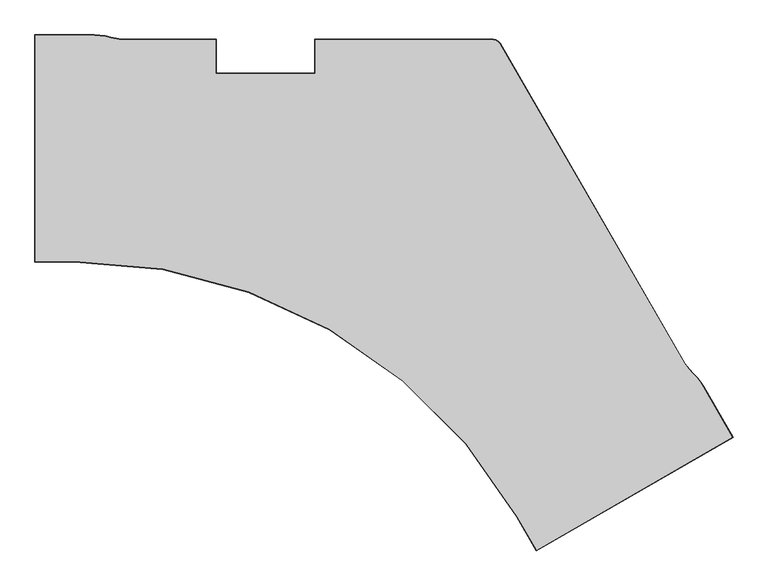
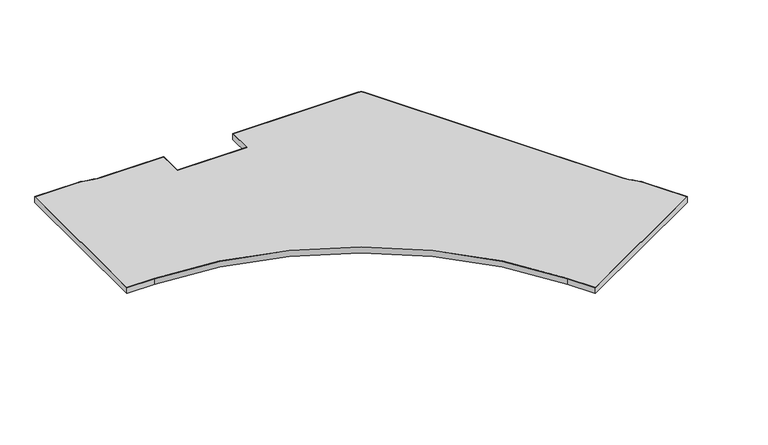
"""IFC4 building model written with IfcOpenShell, lengths in millimetres: furniture geometry."""

from ifc_helpers import new_model, si_unit, point, frame, frame_2d, origin, place, context, project, spatial, polyline, circle_curve, trimmed, segment, composite_curve, outline, extrude, source, transform, mapped, element, save
from ifc_brep_helpers import plane_surface, cylinder_surface, revolved_surface, advanced_brep


def furniture_2d47c8f3(model_context):
    return source(origin(), model_context, "Body", "SolidModel", [
        advanced_brep(
        [(128.6002, -757.2248121, 723.9), (128.6002, -757.2248121, 695.325), (1.6002, -757.2248121, 695.325), (1.6002, -757.2248121, 723.9), (128.6008793, -758.8250121, 695.325), (128.6008793, -758.8250121, 723.9), (0.0, -758.8250121, 723.9), (0.0, -758.8250121, 695.325), (1.6002, -16.5862005, 695.325), (1.6002, -16.5862005, 723.9), (0.0, -14.9860005, 723.9), (0.0, -14.9860005, 695.325), (193.6379206, -16.5862005, 695.325), (193.6379206, -16.5862005, 723.9), (193.6379206, -14.9860005, 723.9), (193.6379206, -14.9860005, 695.325), (212.0372781, -17.4394882, 695.325), (212.0372781, -17.4394882, 723.9), (212.1114093, -15.8410063, 723.9), (212.1114093, -15.8410063, 695.325), (230.2419301, -19.986884, 695.325), (230.2419301, -19.986884, 723.9), (230.4636872, -18.4021241, 723.9), (230.4636872, -18.4021241, 695.325), (248.2091149, -24.2262729, 695.325), (248.2091149, -24.2262729, 723.9), (248.5765941, -22.6688394, 723.9), (248.5765941, -22.6688394, 695.325), (265.9206384, -28.3043297, 695.325), (265.9206384, -28.3043297, 723.9), (266.2796879, -26.7449313, 723.9), (266.2796879, -26.7449313, 695.325), (283.9958289, -30.7738221, 695.325), (283.9958289, -30.7738221, 723.9), (284.2124412, -29.1883509, 723.9), (284.2124412, -29.1883509, 695.325), (302.1840143, -31.5975991, 695.325), (302.1840143, -31.5975991, 723.9), (302.2564161, -29.9990379, 723.9), (302.2564161, -29.9990379, 695.325), (591.7774393, -31.5975991, 695.325), (591.7774393, -31.5975991, 723.9), (593.3776393, -29.9973991, 723.9), (593.3776393, -29.9973991, 695.325), (591.7774393, -142.4431971, 695.325), (591.7774393, -142.4431971, 723.9), (593.3776393, -140.8429971, 723.9), (593.3776393, -140.8429971, 695.325), (918.2690156, -142.4431971, 695.325), (918.2690156, -142.4431971, 723.9), (916.6688156, -140.8429971, 723.9), (916.6688156, -140.8429971, 695.325), (918.2690156, -31.5975991, 695.325), (918.2690156, -31.5975991, 723.9), (916.6688156, -29.9973991, 723.9), (916.6688156, -29.9973991, 695.325), (1501.239652, -31.5975991, 695.325), (1501.239652, -31.5975991, 723.9), (1501.3796511, -29.9973991, 723.9), (1501.3796511, -29.9973991, 695.325), (1509.5112413, -33.0561007, 695.325), (1509.5112413, -33.0561007, 723.9), (1510.0669842, -31.5292074, 723.9), (1510.0669842, -31.5292074, 695.325), (1516.6620317, -37.1846055, 695.325), (1516.6620317, -37.1846055, 723.9), (1517.7064888, -35.9398711, 723.9), (1517.7064888, -35.9398711, 695.325), (1522.0609277, -43.6187795, 695.325), (1522.0609277, -43.6187795, 723.9), (1523.3767425, -42.6974376, 723.9), (1523.3767425, -42.6974376, 695.325), (2127.6678544, -1092.560746, 695.325), (2127.6678544, -1092.560746, 723.9), (2128.9992657, -1091.666418, 723.9), (2128.9992657, -1091.666418, 695.325), (2142.5724857, -1111.7897835, 695.325), (2142.5724857, -1111.7897835, 723.9), (2143.8372401, -1110.8094589, 723.9), (2143.8372401, -1110.8094589, 695.325), (2154.9599805, -1125.089362, 695.325), (2154.9599805, -1125.089362, 723.9), (2156.130932, -1123.9987142, 723.9), (2156.130932, -1123.9987142, 695.325), (2167.6149322, -1138.529737, 695.325), (2167.6149322, -1138.529737, 723.9), (2168.7799734, -1137.432778, 723.9), (2168.7799734, -1137.432778, 695.325), (2178.9233657, -1153.0217177, 695.325), (2178.9233657, -1153.0217177, 723.9), (2180.1849291, -1152.0372901, 723.9), (2180.1849291, -1152.0372901, 695.325), (2188.862406, -1168.5300591, 695.325), (2188.862406, -1168.5300591, 723.9), (2190.209668, -1167.6666211, 723.9), (2190.209668, -1167.6666211, 695.325), (2284.525275, -1334.2230085, 695.325), (2284.525275, -1334.2230085, 723.9), (2286.7111888, -1334.8087223, 723.9), (2286.7111888, -1334.8087223, 695.325), (1643.1134639, -1704.5422903, 695.325), (1643.1134639, -1704.5422903, 723.9), (1642.52775, -1706.7282041, 723.9), (1642.52775, -1706.7282041, 695.325), (1579.6135016, -1594.5571294, 695.325), (1579.6135016, -1594.5571294, 723.9), (1578.2276878, -1595.3572294, 723.9), (1578.2276878, -1595.3572294, 695.325)],
        [
            (0, 1),
            (1, 2),
            (2, 3),
            (3, 0),
            (4, 5),
            (5, 6),
            (6, 7),
            (7, 4),
            (2, 8),
            (8, 9),
            (9, 3),
            (6, 10),
            (10, 11),
            (11, 7),
            (8, 12),
            (12, 13),
            (13, 9),
            (10, 14),
            (14, 15),
            (15, 11),
            (12, 16),
            (16, 17),
            (17, 13),
            (14, 18),
            (18, 19),
            (19, 15),
            (16, 20),
            (20, 21),
            (21, 17),
            (18, 22),
            (22, 23),
            (23, 19),
            (20, 24),
            (24, 25),
            (25, 21),
            (22, 26),
            (26, 27),
            (27, 23),
            (24, 28),
            (28, 29),
            (29, 25),
            (26, 30),
            (30, 31),
            (31, 27),
            (28, 32),
            (32, 33),
            (33, 29),
            (30, 34),
            (34, 35),
            (35, 31),
            (32, 36),
            (36, 37),
            (37, 33),
            (34, 38),
            (38, 39),
            (39, 35),
            (36, 40),
            (40, 41),
            (41, 37),
            (38, 42),
            (42, 43),
            (43, 39),
            (40, 44),
            (44, 45),
            (45, 41),
            (42, 46),
            (46, 47),
            (47, 43),
            (44, 48),
            (48, 49),
            (49, 45),
            (46, 50),
            (50, 51),
            (51, 47),
            (48, 52),
            (52, 53),
            (53, 49),
            (50, 54),
            (54, 55),
            (55, 51),
            (52, 56),
            (56, 57),
            (57, 53),
            (54, 58),
            (58, 59),
            (59, 55),
            (56, 60),
            (60, 61),
            (61, 57),
            (58, 62),
            (62, 63),
            (63, 59),
            (60, 64),
            (64, 65),
            (65, 61),
            (62, 66),
            (66, 67),
            (67, 63),
            (64, 68),
            (68, 69),
            (69, 65),
            (66, 70),
            (70, 71),
            (71, 67),
            (68, 72),
            (72, 73),
            (73, 69),
            (70, 74),
            (74, 75),
            (75, 71),
            (72, 76),
            (76, 77),
            (77, 73),
            (74, 78),
            (78, 79),
            (79, 75),
            (76, 80),
            (80, 81),
            (81, 77),
            (78, 82),
            (82, 83),
            (83, 79),
            (80, 84),
            (84, 85),
            (85, 81),
            (82, 86),
            (86, 87),
            (87, 83),
            (84, 88),
            (88, 89),
            (89, 85),
            (86, 90),
            (90, 91),
            (91, 87),
            (88, 92),
            (92, 93),
            (93, 89),
            (90, 94),
            (94, 95),
            (95, 91),
            (92, 96),
            (96, 97),
            (97, 93),
            (94, 98),
            (98, 99),
            (99, 95),
            (96, 100),
            (100, 101),
            (101, 97),
            (98, 102),
            (102, 103),
            (103, 99),
            (100, 104),
            (104, 105),
            (105, 101),
            (102, 106),
            (106, 107),
            (107, 103),
            (0, 105, circle_curve(frame((129.3111238, -2431.8895977, 723.9), z_axis=(0.0, 0.0, -1.0), x_axis=(0.8660254037844397, 0.4999999999999981, 0.0)), 1674.6649365)),
            (104, 1, circle_curve(frame((129.3111238, -2431.8895977, 695.325), z_axis=(0.0, 0.0, 1.0), x_axis=(0.8660254037844397, 0.4999999999999981, 0.0)), 1674.6649365)),
            (5, 106, circle_curve(frame((129.3111238, -2431.8895977, 723.9), z_axis=(0.0, 0.0, -1.0), x_axis=(0.8660254037844397, 0.4999999999999981, 0.0)), 1673.0647365)),
            (4, 107, circle_curve(frame((129.3111238, -2431.8895977, 695.325), z_axis=(0.0, 0.0, -1.0), x_axis=(0.8660254037844397, 0.4999999999999981, 0.0)), 1673.0647365)),
        ],
        [
            plane_surface(frame((128.6002, -757.2248121, 695.325), z_axis=(0.0, 1.0, 0.0), x_axis=(-1.0, 0.0, 0.0))),
            plane_surface(frame((128.6008793, -758.8250121, 723.9), z_axis=(0.0, -1.0, 0.0), x_axis=(-1.0, 0.0, 0.0))),
            plane_surface(frame((1.6002, -757.2248121, 695.325), z_axis=(1.0, 0.0, 0.0), x_axis=(0.0, 1.0, 0.0))),
            plane_surface(frame((0.0, -758.8250121, 723.9), z_axis=(-1.0, 0.0, 0.0), x_axis=(0.0, 1.0, 0.0))),
            plane_surface(frame((1.6002, -16.5862005, 695.325), z_axis=(0.0, -1.0, 0.0), x_axis=(1.0, 0.0, 0.0))),
            plane_surface(frame((0.0, -14.9860005, 723.9), z_axis=(0.0, 1.0, 0.0), x_axis=(1.0, 0.0, 0.0))),
            plane_surface(frame((193.6379206, -16.5862005, 695.325), z_axis=(-0.046326163474759124, -0.9989263669448865, 0.0), x_axis=(0.9989263669448865, -0.046326163474759124, 0.0))),
            plane_surface(frame((193.6379206, -14.9842806, 723.9), z_axis=(0.04632616347475923, 0.9989263669448865, 0.0), x_axis=(0.9989263669448865, -0.04632616347475923, 0.0))),
            plane_surface(frame((212.0372781, -17.4394882, 695.325), z_axis=(-0.13858085665649997, -0.9903511226672844, 0.0), x_axis=(0.9903511226672844, -0.13858085665649997, 0.0))),
            plane_surface(frame((212.1117288, -15.8341156, 723.9), z_axis=(0.13858085665649972, 0.9903511226672845, 0.0), x_axis=(0.9903511226672845, -0.13858085665649972, 0.0))),
            plane_surface(frame((230.2419301, -19.986884, 695.325), z_axis=(-0.22964578138879171, -0.9732742753665748, 0.0), x_axis=(0.9732742753665748, -0.22964578138879171, 0.0))),
            plane_surface(frame((230.4646431, -18.3952927, 723.9), z_axis=(0.22964578138879185, 0.9732742753665748, 0.0), x_axis=(0.9732742753665748, -0.22964578138879185, 0.0))),
            plane_surface(frame((248.2091149, -24.2262729, 695.325), z_axis=(-0.22437794644847492, -0.9745021996627639, 0.0), x_axis=(0.9745021996627639, -0.22437794644847492, 0.0))),
            plane_surface(frame((248.5765994, -22.6688167, 723.9), z_axis=(0.2243779464484746, 0.974502199662764, 0.0), x_axis=(0.974502199662764, -0.2243779464484746, 0.0))),
            plane_surface(frame((265.9206384, -28.3043297, 695.325), z_axis=(-0.135365792230376, -0.9907956914994346, 0.0), x_axis=(0.9907956914994346, -0.135365792230376, 0.0))),
            plane_surface(frame((266.2811641, -26.7385203, 723.9), z_axis=(0.13536579223037612, 0.9907956914994346, 0.0), x_axis=(0.9907956914994346, -0.13536579223037612, 0.0))),
            plane_surface(frame((283.9958289, -30.7738221, 695.325), z_axis=(-0.04524548860240766, -0.9989758984886119, 0.0), x_axis=(0.9989758984886119, -0.04524548860240766, 0.0))),
            plane_surface(frame((284.2133317, -29.1818328, 723.9), z_axis=(0.04524548860240758, 0.9989758984886119, 0.0), x_axis=(0.9989758984886119, -0.04524548860240758, 0.0))),
            plane_surface(frame((302.1840143, -31.5975991, 695.325), z_axis=(0.0, -1.0, 0.0), x_axis=(1.0, 0.0, 0.0))),
            plane_surface(frame((302.2564904, -29.9973991, 723.9), z_axis=(0.0, 1.0, 0.0), x_axis=(1.0, 0.0, 0.0))),
            plane_surface(frame((591.7774393, -31.5975991, 695.325), z_axis=(-1.0, 0.0, 0.0), x_axis=(0.0, -1.0, 0.0))),
            plane_surface(frame((593.3776393, -29.9973991, 723.9), z_axis=(1.0, 0.0, 0.0), x_axis=(0.0, -1.0, 0.0))),
            plane_surface(frame((591.7774393, -142.4431971, 695.325), z_axis=(0.0, -1.0, 0.0), x_axis=(1.0, 0.0, 0.0))),
            plane_surface(frame((593.3776393, -140.8429971, 723.9), z_axis=(0.0, 1.0, 0.0), x_axis=(1.0, 0.0, 0.0))),
            plane_surface(frame((918.2690156, -142.4431971, 695.325), z_axis=(1.0, 0.0, 0.0), x_axis=(0.0, 1.0, 0.0))),
            plane_surface(frame((916.6688156, -140.8429971, 723.9), z_axis=(-1.0, 0.0, 0.0), x_axis=(0.0, 1.0, 0.0))),
            plane_surface(frame((918.2690156, -31.5975991, 695.325), z_axis=(0.0, -1.0, 0.0), x_axis=(1.0, 0.0, 0.0))),
            plane_surface(frame((916.6688156, -29.9973991, 723.9), z_axis=(0.0, 1.0, 0.0), x_axis=(1.0, 0.0, 0.0))),
            plane_surface(frame((1501.239652, -31.5975991, 695.325), z_axis=(-0.17364785681572545, -0.9848078095868784, 0.0), x_axis=(0.9848078095868784, -0.17364785681572545, 0.0))),
            plane_surface(frame((1501.3796511, -29.9973991, 723.9), z_axis=(0.17364785681573716, 0.9848078095868764, 0.0), x_axis=(0.9848078095868764, -0.17364785681573716, 0.0))),
            plane_surface(frame((1509.5112413, -33.0561007, 695.325), z_axis=(-0.4999994630969104, -0.8660257137653601, 0.0), x_axis=(0.8660257137653601, -0.4999994630969104, 0.0))),
            plane_surface(frame((1510.0669842, -31.5292074, 723.9), z_axis=(0.49999946309690246, 0.8660257137653647, 0.0), x_axis=(0.8660257137653647, -0.49999946309690246, 0.0))),
            plane_surface(frame((1516.6620317, -37.1846055, 695.325), z_axis=(-0.7660454384765965, -0.6427864234636564, 0.0), x_axis=(0.6427864234636564, -0.7660454384765965, 0.0))),
            plane_surface(frame((1517.7064888, -35.9398711, 723.9), z_axis=(0.7660454384765994, 0.6427864234636529, 0.0), x_axis=(0.6427864234636529, -0.7660454384765994, 0.0))),
            plane_surface(frame((1522.0609277, -43.6187795, 695.325), z_axis=(-0.866025403784441, -0.4999999999999959, 0.0), x_axis=(0.4999999999999959, -0.866025403784441, 0.0))),
            plane_surface(frame((1523.3767425, -42.6974376, 723.9), z_axis=(0.8660254037844413, 0.49999999999999567, 0.0), x_axis=(0.49999999999999567, -0.8660254037844413, 0.0))),
            plane_surface(frame((2127.6678544, -1092.560746, 695.325), z_axis=(-0.7903727161166866, -0.6126262887097905, 0.0), x_axis=(0.6126262887097905, -0.7903727161166866, 0.0))),
            plane_surface(frame((2128.9992657, -1091.666418, 723.9), z_axis=(0.7903727161166818, 0.6126262887097969, 0.0), x_axis=(0.6126262887097969, -0.7903727161166818, 0.0))),
            plane_surface(frame((2142.5724857, -1111.7897835, 695.325), z_axis=(-0.7317532279980008, -0.6815696687166366, 0.0), x_axis=(0.6815696687166366, -0.7317532279980008, 0.0))),
            plane_surface(frame((2143.8424402, -1110.8054283, 723.9), z_axis=(0.731753227998001, 0.6815696687166365, 0.0), x_axis=(0.6815696687166365, -0.731753227998001, 0.0))),
            plane_surface(frame((2154.9599805, -1125.089362, 695.325), z_axis=(-0.7280597475915059, -0.6855136788839394, 0.0), x_axis=(0.6855136788839394, -0.7280597475915059, 0.0))),
            plane_surface(frame((2156.1309491, -1123.9986983, 723.9), z_axis=(0.7280597475915045, 0.6855136788839409, 0.0), x_axis=(0.6855136788839409, -0.7280597475915045, 0.0))),
            plane_surface(frame((2167.6149322, -1138.529737, 695.325), z_axis=(-0.7883785954817186, -0.6151903690617018, 0.0), x_axis=(0.6151903690617018, -0.7883785954817186, 0.0))),
            plane_surface(frame((2168.7849951, -1137.4280497, 723.9), z_axis=(0.7883785954817149, 0.6151903690617064, 0.0), x_axis=(0.6151903690617064, -0.7883785954817149, 0.0))),
            plane_surface(frame((2178.9233657, -1153.0217177, 695.325), z_axis=(-0.8419335006784185, -0.5395813010431174, 0.0), x_axis=(0.5395813010431174, -0.8419335006784185, 0.0))),
            plane_surface(frame((2180.1903676, -1152.0330463, 723.9), z_axis=(0.8419335006784187, 0.5395813010431173, 0.0), x_axis=(0.5395813010431173, -0.8419335006784187, 0.0))),
            plane_surface(frame((2188.862406, -1168.5300591, 695.325), z_axis=(-0.8660254037844409, -0.49999999999999617, 0.0), x_axis=(0.49999999999999617, -0.8660254037844409, 0.0))),
            plane_surface(frame((2190.2111159, -1167.6656931, 723.9), z_axis=(0.8660254037844407, 0.49999999999999656, 0.0), x_axis=(0.49999999999999656, -0.8660254037844407, 0.0))),
            plane_surface(frame((2284.525275, -1334.2230085, 695.325), z_axis=(-0.49999999999999645, 0.8660254037844407, 0.0), x_axis=(-0.8660254037844407, -0.49999999999999645, 0.0))),
            plane_surface(frame((2286.7111888, -1334.8087223, 723.9), z_axis=(0.4999999999999965, -0.8660254037844407, 0.0), x_axis=(-0.8660254037844407, -0.4999999999999965, 0.0))),
            plane_surface(frame((1643.1134639, -1704.5422903, 695.325), z_axis=(0.8660254037844387, 0.49999999999999994, 0.0), x_axis=(-0.49999999999999994, 0.8660254037844387, 0.0))),
            plane_surface(frame((1642.52775, -1706.7282041, 723.9), z_axis=(-0.8660254037844403, -0.49999999999999717, 0.0), x_axis=(-0.49999999999999717, 0.8660254037844403, 0.0))),
            cylinder_surface(frame((129.3111238, -2431.8895977, 723.9), z_axis=(0.0, 0.0, 1.0), x_axis=(0.8660254037844397, 0.4999999999999981, 0.0)), 1674.6649365),
            plane_surface(frame((129.3111238, -2431.8895977, 723.9), z_axis=(0.0, 0.0, 1.0), x_axis=(0.8660254037844397, 0.4999999999999981, 0.0))),
            revolved_surface(polyline([(1578.2276877849197, -1595.3572294500034, 723.9), (1578.2276877849197, -1595.3572294500034, 695.325)]), (129.3111238, -2431.8895977, 723.9), (0.0, 0.0, 1.0)),
            plane_surface(frame((129.3111238, -2431.8895977, 695.325), z_axis=(0.0, 0.0, -1.0), x_axis=(0.8660254037844397, 0.4999999999999981, 0.0))),
        ],
        [
            (0, [[1, 2, 3, 4]]),
            (1, [[5, 6, 7, 8]]),
            (2, [[-3, 9, 10, 11]]),
            (3, [[-7, 12, 13, 14]]),
            (4, [[-10, 15, 16, 17]]),
            (5, [[-13, 18, 19, 20]]),
            (6, [[-16, 21, 22, 23]]),
            (7, [[-19, 24, 25, 26]]),
            (8, [[-22, 27, 28, 29]]),
            (9, [[-25, 30, 31, 32]]),
            (10, [[-28, 33, 34, 35]]),
            (11, [[-31, 36, 37, 38]]),
            (12, [[-34, 39, 40, 41]]),
            (13, [[-37, 42, 43, 44]]),
            (14, [[-40, 45, 46, 47]]),
            (15, [[-43, 48, 49, 50]]),
            (16, [[-46, 51, 52, 53]]),
            (17, [[-49, 54, 55, 56]]),
            (18, [[-52, 57, 58, 59]]),
            (19, [[-55, 60, 61, 62]]),
            (20, [[-58, 63, 64, 65]]),
            (21, [[-61, 66, 67, 68]]),
            (22, [[-64, 69, 70, 71]]),
            (23, [[-67, 72, 73, 74]]),
            (24, [[-70, 75, 76, 77]]),
            (25, [[-73, 78, 79, 80]]),
            (26, [[-76, 81, 82, 83]]),
            (27, [[-79, 84, 85, 86]]),
            (28, [[-82, 87, 88, 89]]),
            (29, [[-85, 90, 91, 92]]),
            (30, [[-88, 93, 94, 95]]),
            (31, [[-91, 96, 97, 98]]),
            (32, [[-94, 99, 100, 101]]),
            (33, [[-97, 102, 103, 104]]),
            (34, [[-100, 105, 106, 107]]),
            (35, [[-103, 108, 109, 110]]),
            (36, [[-106, 111, 112, 113]]),
            (37, [[-109, 114, 115, 116]]),
            (38, [[-112, 117, 118, 119]]),
            (39, [[-115, 120, 121, 122]]),
            (40, [[-118, 123, 124, 125]]),
            (41, [[-121, 126, 127, 128]]),
            (42, [[-124, 129, 130, 131]]),
            (43, [[-127, 132, 133, 134]]),
            (44, [[-130, 135, 136, 137]]),
            (45, [[-133, 138, 139, 140]]),
            (46, [[-136, 141, 142, 143]]),
            (47, [[-139, 144, 145, 146]]),
            (48, [[-142, 147, 148, 149]]),
            (49, [[-145, 150, 151, 152]]),
            (50, [[-148, 153, 154, 155]]),
            (51, [[-151, 156, 157, 158]]),
            (52, [[159, -154, 160, -1]]),
            (53, [[161, -156, -150, -144, -138, -132, -126, -120, -114, -108, -102, -96, -90, -84, -78, -72, -66, -60, -54, -48, -42, -36, -30, -24, -18, -12, -6], [-149, -155, -159, -4, -11, -17, -23, -29, -35, -41, -47, -53, -59, -65, -71, -77, -83, -89, -95, -101, -107, -113, -119, -125, -131, -137, -143]]),
            (54, [[162, -157, -161, -5]]),
            (55, [[-152, -158, -162, -8, -14, -20, -26, -32, -38, -44, -50, -56, -62, -68, -74, -80, -86, -92, -98, -104, -110, -116, -122, -128, -134, -140, -146], [-160, -153, -147, -141, -135, -129, -123, -117, -111, -105, -99, -93, -87, -81, -75, -69, -63, -57, -51, -45, -39, -33, -27, -21, -15, -9, -2]]),
        ],
    ),
        extrude(outline(composite_curve([segment(polyline([(1.6002, -757.2248121), (1.6002, -16.5862005), (193.6379206, -16.5862005), (212.0372781, -17.4394882), (230.2419301, -19.986884), (248.2091149, -24.2262729), (265.9206384, -28.3043297), (283.9958289, -30.7738221), (302.1840143, -31.5975991), (591.7774393, -31.5975991), (591.7774393, -142.4431971), (918.2690156, -142.4431971), (918.2690156, -31.5975991), (1501.239652, -31.5975991), (1509.5112413, -33.0561007), (1516.6620317, -37.1846055), (1522.0609277, -43.6187795), (2127.6678544, -1092.560746), (2142.5724857, -1111.7897835), (2154.9599805, -1125.089362), (2167.6149322, -1138.529737), (2178.9233657, -1153.0217177), (2188.862406, -1168.5300591), (2284.525275, -1334.2230085), (1643.1134639, -1704.5422903), (1579.6134639, -1594.557064)]), True, "CONTINUOUS"), segment(trimmed(circle_curve(frame_2d((129.3111238, -2431.8895977)), 1674.6649365), [point((1579.6134639, -1594.557064))], [point((128.6002, -757.2248121))], True, "CARTESIAN"), True, "CONTINUOUS"), segment(polyline([(128.6002, -757.2248121), (1.6002, -757.2248121)]), True, "CONTINUOUS")], self_intersect=False)), frame((0.0, 0.0, 695.325), z_axis=(0.0, 0.0, 1.0), x_axis=(1.0, 0.0, 0.0)), (0.0, 0.0, 1.0), 28.575),
    ])


if __name__ == "__main__":
    model = new_model("IFC4")
    model_context = context("Model", 3, world=origin())
    ifc_project = project(units=[si_unit("LENGTHUNIT", "METRE", prefix="MILLI")], contexts=[model_context])
    site = spatial("IfcSite", under=ifc_project)
    building = spatial("IfcBuilding", under=site)
    placement = place(None, origin())
    furniture_shape = furniture_2d47c8f3(model_context)
    element("IfcFurniture", 1, at=placement, inside=building, context=model_context, shape_type="MappedRepresentation", body=[
        mapped(furniture_shape, transform((0.0, 0.0, 0.0), x_axis=(1.0, 0.0, 0.0), y_axis=(0.0, 1.0, 0.0), z_axis=(0.0, 0.0, 1.0))),
    ])
    save(model, "model.ifc")
